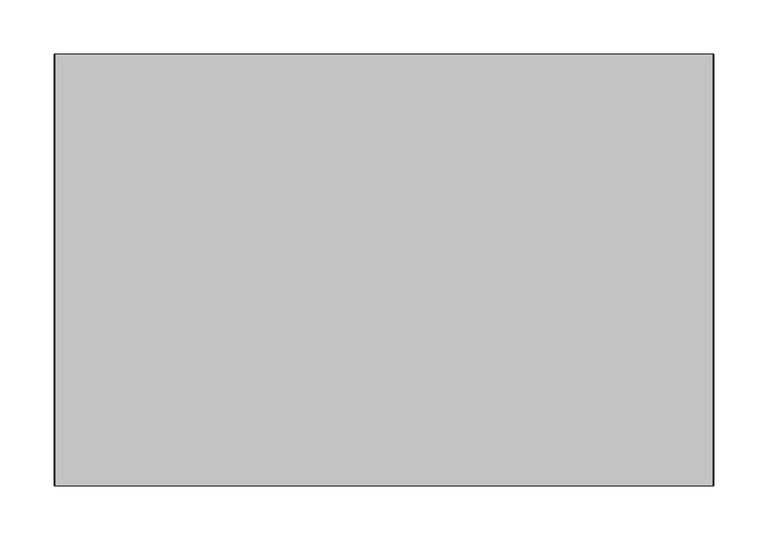
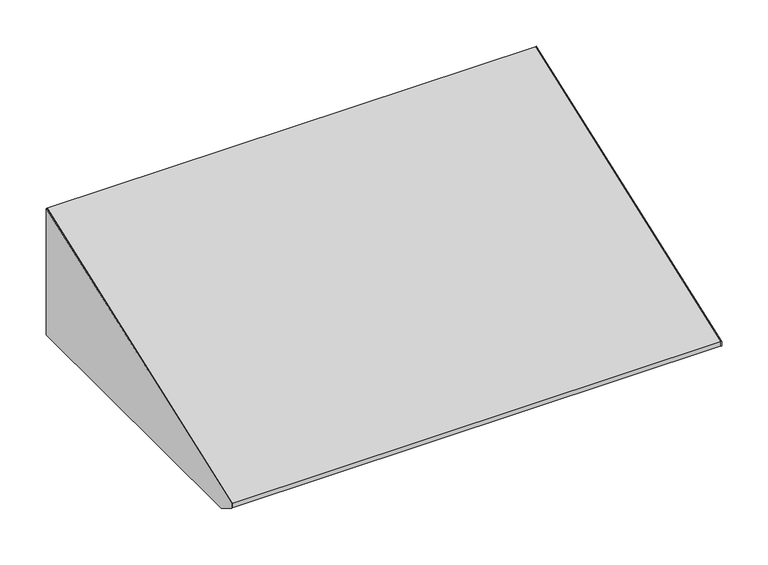
"""IFC4 building model written with IfcOpenShell, lengths in millimetres: furniture geometry."""

from ifc_helpers import new_model, si_unit, frame, origin, place, context, project, spatial, polyline, outline, extrude, source, transform, mapped, element, save


def furniture_b6d93a09(model_context):
    return source(origin(), model_context, "Body", "SweptSolid", [
        extrude(outline(polyline([(-21.75256, 2287.1249351), (-21.75256, 2120.9), (-398.9953187, 2120.9), (-420.83736, 2134.7311416), (-420.83736, 2140.8533922), (-21.75256, 2287.1249351)])), frame((322.7439549, 0.0, 0.0), z_axis=(1.0, 0.0, 0.0), x_axis=(0.0, 1.0, 0.0)), (0.0, 0.0, 1.0), 0.79375),
        extrude(outline(polyline([(-21.75256, 2120.9), (-398.9953187, 2120.9), (-420.83736, 2134.7311416), (-420.83736, 2140.8533922), (-21.75256, 2287.1249351), (-21.75256, 2120.9)])), frame((-286.0622951, 0.0, 0.0), z_axis=(1.0, 0.0, 0.0), x_axis=(0.0, 1.0, 0.0)), (0.0, 0.0, 1.0), 0.79375),
        extrude(outline(polyline([(304.488502, -386.2953187), (304.488502, -97.8702473), (322.7439549, -97.8702473), (322.7439549, -386.2953187), (304.488502, -386.2953187)])), frame((0.0, 0.0, 2120.9), z_axis=(0.0, 0.0, 1.0), x_axis=(1.0, 0.0, 0.0)), (0.0, 0.0, 1.0), 0.79375),
        extrude(outline(polyline([(-21.75256, 2120.9), (-97.5295544, 2120.9), (-97.5295544, 2121.69375), (-22.54631, 2121.69375), (-22.54631, 2272.6152789), (-21.75256, 2272.6152789), (-21.75256, 2120.9)])), frame((312.1081836, 0.0, 0.0), z_axis=(1.0, 0.0, 0.0), x_axis=(0.0, 1.0, 0.0)), (0.0, 0.0, 1.0), 10.6357713),
        extrude(outline(polyline([(-21.75256, 2120.9), (-97.5295544, 2120.9), (-97.5295544, 2121.69375), (-22.54631, 2121.69375), (-22.54631, 2272.6152789), (-21.75256, 2272.6152789), (-21.75256, 2120.9)])), frame((-285.2685451, 0.0, 0.0), z_axis=(1.0, 0.0, 0.0), x_axis=(0.0, 1.0, 0.0)), (0.0, 0.0, 1.0), 10.6357713),
        extrude(outline(polyline([(-285.2685451, -386.2953187), (-285.2685451, -97.8702473), (-267.0130922, -97.8702473), (-267.0130922, -386.2953187), (-285.2685451, -386.2953187)])), frame((0.0, 0.0, 2120.9), z_axis=(0.0, 0.0, 1.0), x_axis=(1.0, 0.0, 0.0)), (0.0, 0.0, 1.0), 0.79375),
        extrude(outline(polyline([(-420.83736, 2140.8533922), (-21.75256, 2287.1249351), (-21.75256, 2272.6152789), (-22.54631, 2272.6152789), (-22.54631, 2285.9886809), (-420.04361, 2140.2989044), (-420.04361, 2135.1680199), (-221.2358067, 2121.69375), (-386.2953187, 2121.69375), (-386.2953187, 2120.9), (-398.9953187, 2120.9), (-420.83736, 2134.7311416), (-420.83736, 2140.8533922)])), frame((-285.2685451, 0.0, 0.0), z_axis=(1.0, 0.0, 0.0), x_axis=(0.0, 1.0, 0.0)), (0.0, 0.0, 1.0), 608.0125),
    ])


if __name__ == "__main__":
    model = new_model("IFC4")
    model_context = context("Model", 3, world=origin())
    ifc_project = project(units=[si_unit("LENGTHUNIT", "METRE", prefix="MILLI")], contexts=[model_context])
    site = spatial("IfcSite", under=ifc_project)
    building = spatial("IfcBuilding", under=site)
    placement = place(None, origin())
    furniture_shape = furniture_b6d93a09(model_context)
    element("IfcFurniture", 1, at=placement, inside=building, context=model_context, shape_type="MappedRepresentation", body=[
        mapped(furniture_shape, transform((0.0, 0.0, 0.0), x_axis=(1.0, 0.0, 0.0), y_axis=(0.0, 1.0, 0.0), z_axis=(0.0, 0.0, 1.0))),
    ])
    save(model, "model.ifc")
